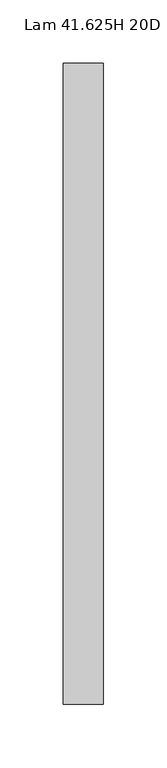
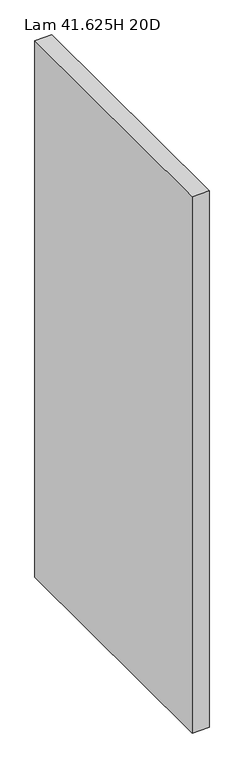
"""IFC4 building model written with IfcOpenShell, lengths in millimetres: furniture geometry, Lam 41.625H 20D."""

from ifc_helpers import new_model, si_unit, origin, origin_with_axes, place, context, project, spatial, polyline, outline, extrude, source, transform, mapped, element, save


def lam_41_625h_20d_d6f354d6(model_context):
    return source(origin(), model_context, "Body", "SweptSolid", [
        extrude(outline(polyline([(31.75, 0.0), (31.75, -506.476), (0.0, -506.476), (0.0, 0.0), (31.75, 0.0)])), origin_with_axes(), (0.0, 0.0, 1.0), 1055.7002),
    ])


if __name__ == "__main__":
    model = new_model("IFC4")
    model_context = context("Model", 3, world=origin())
    ifc_project = project(units=[si_unit("LENGTHUNIT", "METRE", prefix="MILLI")], contexts=[model_context])
    site = spatial("IfcSite", under=ifc_project)
    building = spatial("IfcBuilding", under=site)
    placement = place(None, origin())
    lam_41_625h_20d_shape = lam_41_625h_20d_d6f354d6(model_context)
    element("IfcFurniture", 1, ObjectType="Lam 41.625H 20D", at=placement, inside=building, context=model_context, shape_type="MappedRepresentation", body=[
        mapped(lam_41_625h_20d_shape, transform((0.0, 0.0, 0.0), x_axis=(1.0, 0.0, 0.0), y_axis=(0.0, 1.0, 0.0), z_axis=(0.0, 0.0, 1.0))),
    ])
    save(model, "model.ifc")
